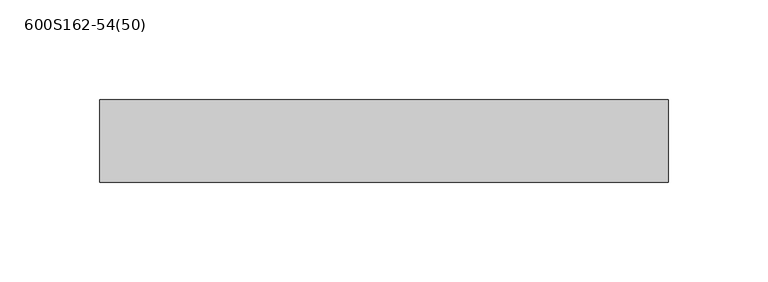
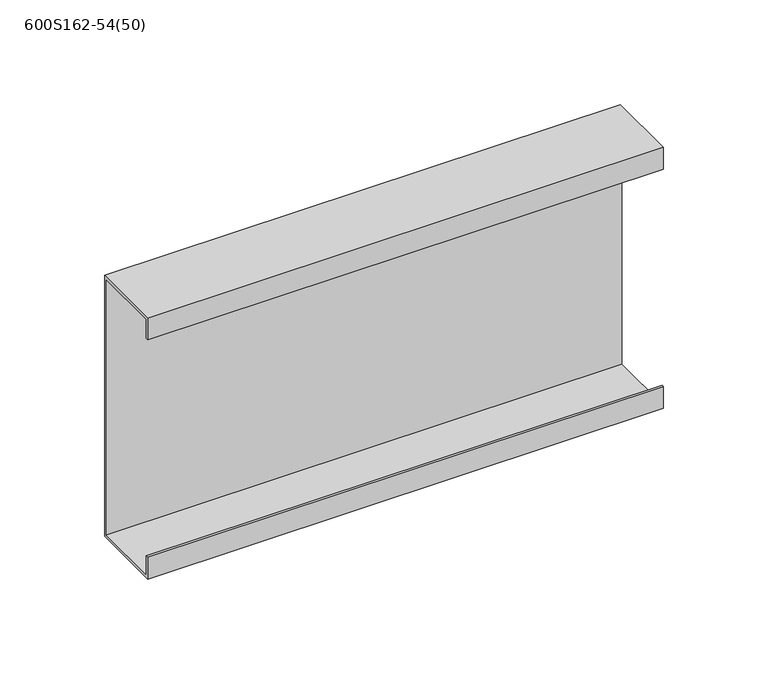
"""IFC4 building model written with IfcOpenShell, lengths in millimetres: member geometry, 600S162-54(50)."""

from ifc_helpers import new_model, si_unit, frame, origin, place, context, project, spatial, polyline, outline, extrude, source, transform, mapped, element, save


def member_600s162_54_50_84a4d6ca(model_context):
    return source(origin(), model_context, "Body", "SweptSolid", [
        extrude(outline(polyline([(20.6375, 76.2), (20.6375, -76.2), (-20.6375, -76.2), (-20.6375, -63.5), (-19.2484375, -63.5), (-19.2484375, -74.8109375), (19.2484375, -74.8109375), (19.2484375, 74.8109375), (-19.2484375, 74.8109375), (-19.2484375, 63.5), (-20.6375, 63.5), (-20.6375, 76.2), (20.6375, 76.2)])), frame((-142.5, 0.0, 0.0), z_axis=(1.0, 0.0, 0.0), x_axis=(0.0, 1.0, 0.0)), (0.0, 0.0, 1.0), 285.0),
    ])


if __name__ == "__main__":
    model = new_model("IFC4")
    model_context = context("Model", 3, world=origin())
    ifc_project = project(units=[si_unit("LENGTHUNIT", "METRE", prefix="MILLI")], contexts=[model_context])
    site = spatial("IfcSite", under=ifc_project)
    building = spatial("IfcBuilding", under=site)
    placement = place(None, origin())
    member_600s162_54_50_shape = member_600s162_54_50_84a4d6ca(model_context)
    element("IfcMember", 1, ObjectType="600S162-54(50)", at=placement, inside=building, context=model_context, shape_type="MappedRepresentation", body=[
        mapped(member_600s162_54_50_shape, transform((0.0, 0.0, 0.0), x_axis=(1.0, 0.0, 0.0), y_axis=(0.0, 1.0, 0.0), z_axis=(0.0, 0.0, 1.0))),
    ])
    save(model, "model.ifc")
